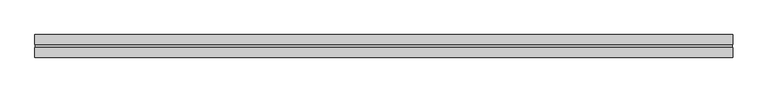
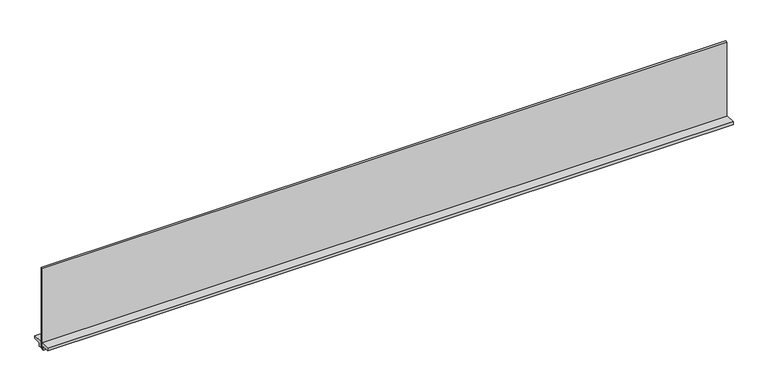
"""IFC4 building model written with IfcOpenShell, lengths in millimetres: furniture geometry."""

from ifc_helpers import new_model, si_unit, frame, origin, place, context, project, spatial, polyline, outline, extrude, source, transform, mapped, element, save


def furniture_da8b7a4f(model_context):
    return source(origin(), model_context, "Body", "SweptSolid", [
        extrude(outline(polyline([(12.9619352, 1048.766), (12.9619352, 1035.177), (4.8339366, 1035.177), (4.8339366, 1058.291), (39.4795359, 1058.291), (39.4795359, 1048.766), (12.9619352, 1048.766)])), frame((-1218.184, 0.0, 0.0), z_axis=(1.0, 0.0, 0.0), x_axis=(0.0, 1.0, 0.0)), (0.0, 0.0, 1.0), 2436.3680009),
        extrude(outline(polyline([(-12.9714633, 1035.177), (-12.9714633, 1048.766), (-39.4890627, 1048.766), (-39.4890627, 1058.291), (-4.8434625, 1058.291), (-4.8434625, 1035.177), (-12.9714633, 1035.177)])), frame((-1218.184, 0.0, 0.0), z_axis=(1.0, 0.0, 0.0), x_axis=(0.0, 1.0, 0.0)), (0.0, 0.0, 1.0), 2436.3680009),
        extrude(outline(polyline([(1216.787001, 3.652836), (1216.787001, -3.662364), (-1216.787, -3.662364), (-1216.787, 3.652836), (1216.787001, 3.652836)])), frame((0.0, 0.0, 1035.177), z_axis=(0.0, 0.0, 1.0), x_axis=(1.0, 0.0, 0.0)), (0.0, 0.0, 1.0), 302.514),
    ])


if __name__ == "__main__":
    model = new_model("IFC4")
    model_context = context("Model", 3, world=origin())
    ifc_project = project(units=[si_unit("LENGTHUNIT", "METRE", prefix="MILLI")], contexts=[model_context])
    site = spatial("IfcSite", under=ifc_project)
    building = spatial("IfcBuilding", under=site)
    placement = place(None, origin())
    furniture_shape = furniture_da8b7a4f(model_context)
    element("IfcFurniture", 1, at=placement, inside=building, context=model_context, shape_type="MappedRepresentation", body=[
        mapped(furniture_shape, transform((0.0, 0.0, 0.0), x_axis=(1.0, 0.0, 0.0), y_axis=(0.0, 1.0, 0.0), z_axis=(0.0, 0.0, 1.0))),
    ])
    save(model, "model.ifc")
